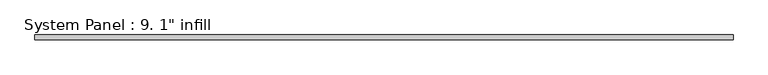
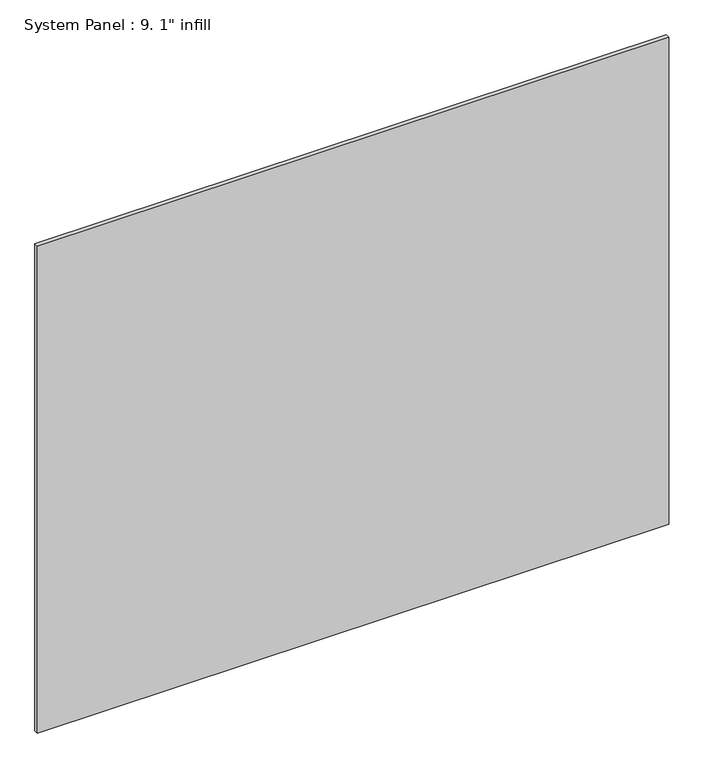
"""IFC4 building model written with IfcOpenShell, lengths in millimetres: plate geometry."""

from ifc_helpers import new_model, si_unit, origin, origin_with_axes, place, context, project, spatial, polyline, outline, extrude, source, transform, mapped, element, save


def plate_bdf1bc00(model_context):
    return source(origin(), model_context, "Body", "SweptSolid", [
        extrude(outline(polyline([(1828.8, -12.7), (-1828.8, -12.7), (-1828.8, 12.7), (1828.8, 12.7), (1828.8, -12.7)])), origin_with_axes(), (0.0, 0.0, 1.0), 2981.325),
    ])


if __name__ == "__main__":
    model = new_model("IFC4")
    model_context = context("Model", 3, world=origin())
    ifc_project = project(units=[si_unit("LENGTHUNIT", "METRE", prefix="MILLI")], contexts=[model_context])
    site = spatial("IfcSite", under=ifc_project)
    building = spatial("IfcBuilding", under=site)
    placement = place(None, origin())
    plate_shape = plate_bdf1bc00(model_context)
    element("IfcPlate", 1, ObjectType="System Panel : 9. 1\" infill", at=placement, inside=building, context=model_context, shape_type="MappedRepresentation", body=[
        mapped(plate_shape, transform((0.0, 0.0, 0.0), x_axis=(1.0, 0.0, 0.0), y_axis=(0.0, 1.0, 0.0), z_axis=(0.0, 0.0, 1.0))),
    ])
    save(model, "model.ifc")
